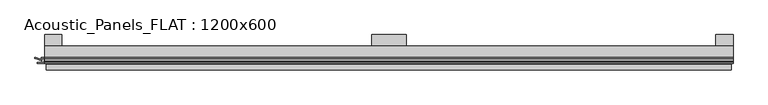
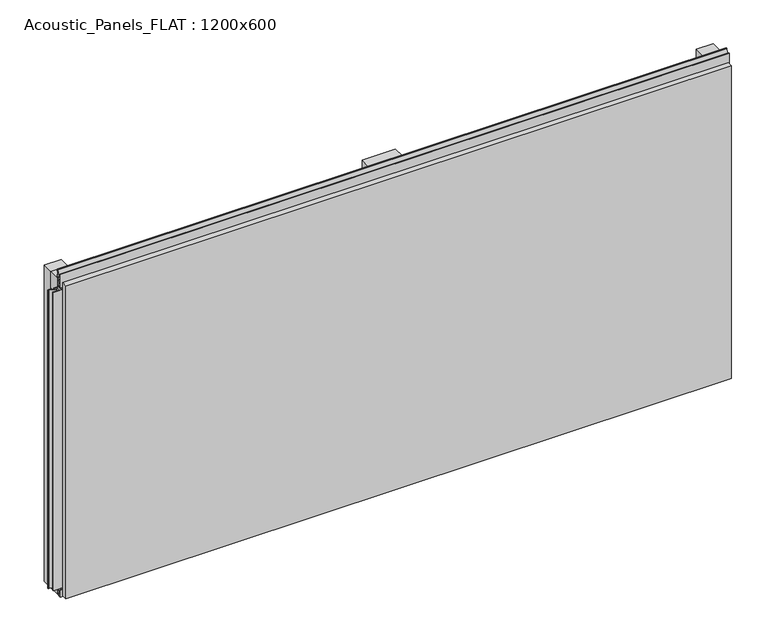
"""IFC4 building model written with IfcOpenShell, lengths in millimetres: plate geometry, Acoustic_Panels_FLAT : 1200x600."""

from ifc_helpers import new_model, si_unit, frame, origin, origin_with_axes, place, context, project, spatial, polyline, outline, extrude, faceted_brep, source, transform, mapped, element, save


def acoustic_panels_flat_1200x600_89772a6c(model_context):
    return source(origin(), model_context, "Body", "SolidModel", [
        extrude(outline(polyline([(-600.0, -40.0), (-600.0, -20.0), (600.0, -20.0), (600.0, -40.0), (-600.0, -40.0)])), frame((0.0, 0.0, 570.0), z_axis=(0.0, 0.0, 1.0), x_axis=(1.0, 0.0, 0.0)), (0.0, 0.0, 1.0), 30.0),
        extrude(outline(polyline([(-600.0, -40.0), (-600.0, -20.0), (600.0, -20.0), (600.0, -40.0), (-600.0, -40.0)])), origin_with_axes(), (0.0, 0.0, 1.0), 30.0),
        extrude(outline(polyline([(570.0, 0.0), (600.0, 0.0), (600.0, -20.0), (570.0, -20.0), (570.0, 0.0)])), origin_with_axes(), (0.0, 0.0, 1.0), 600.0),
        extrude(outline(polyline([(30.0, 0.0), (30.0, -20.0), (-30.0, -20.0), (-30.0, 0.0), (30.0, 0.0)])), origin_with_axes(), (0.0, 0.0, 1.0), 600.0),
        extrude(outline(polyline([(-570.0, 0.0), (-570.0, -20.0), (-600.0, -20.0), (-600.0, 0.0), (-570.0, 0.0)])), origin_with_axes(), (0.0, 0.0, 1.0), 600.0),
        extrude(outline(polyline([(-40.0, 6.299084), (-40.0, 0.0), (-50.1, 0.0), (-50.1, 13.4156807), (-48.7, 13.4156807), (-48.7, 1.4156807), (-41.4, 1.4156807), (-41.4, 4.899084), (-45.5140545, 4.899084), (-41.4553267, 15.5703394), (-41.4553267, 22.991548), (-40.0553267, 22.991548), (-40.0553267, 15.3558599), (-43.5, 6.299084), (-40.0, 6.299084)])), frame((-600.0, 0.0, 0.0), z_axis=(1.0, 0.0, 0.0), x_axis=(0.0, 1.0, 0.0)), (0.0, 0.0, 1.0), 1200.0),
        extrude(outline(polyline([(-600.899084, -48.7), (-600.899084, -41.4), (-604.899084, -41.4), (-604.899084, -45.5140545), (-615.5703394, -41.4553267), (-616.9558599, -41.4553267), (-616.9558599, -40.0553267), (-615.3558599, -40.0553267), (-606.299084, -43.5), (-606.299084, -40.0), (-593.700916, -40.0), (-593.700916, -43.5), (-584.6441401, -40.0553267), (-583.0441401, -40.0553267), (-583.0441401, -41.4553267), (-584.4296606, -41.4553267), (-595.100916, -45.5140545), (-595.100916, -41.4), (-599.100916, -41.4), (-599.100916, -48.7), (-587.100916, -48.7), (-587.100916, -50.1), (-612.899084, -50.1), (-612.899084, -48.7), (-600.899084, -48.7)])), frame((0.0, 0.0, 16.9558599), z_axis=(0.0, 0.0, 1.0), x_axis=(1.0, 0.0, 0.0)), (0.0, 0.0, 1.0), 566.0882802),
        extrude(outline(polyline([(-48.7, 600.899084), (-41.4, 600.899084), (-41.4, 604.899084), (-45.5140545, 604.899084), (-41.4553267, 615.5703394), (-41.4553267, 616.9558599), (-40.0553267, 616.9558599), (-40.0553267, 615.3558599), (-43.5, 606.299084), (-40.0, 606.299084), (-40.0, 593.700916), (-43.5, 593.700916), (-40.0553267, 584.6441401), (-40.0553267, 583.0441401), (-41.4553267, 583.0441401), (-41.4553267, 584.4296606), (-45.5140545, 595.100916), (-41.4, 595.100916), (-41.4, 599.100916), (-48.7, 599.100916), (-48.7, 587.100916), (-50.1, 587.100916), (-50.1, 612.899084), (-48.7, 612.899084), (-48.7, 600.899084)])), frame((-600.0, 0.0, 0.0), z_axis=(1.0, 0.0, 0.0), x_axis=(0.0, 1.0, 0.0)), (0.0, 0.0, 1.0), 1200.0),
        faceted_brep([(597.0, -45.9, 597.0), (-597.0, -45.9, 597.0), (-597.0, -48.7, 597.0), (597.0, -48.7, 597.0), (-597.0, -61.9, 597.0), (597.0, -61.9, 597.0), (597.0, -51.9, 597.0), (-597.0, -51.9, 597.0), (-597.0, -45.9, 3.0), (597.0, -45.9, 3.0), (597.0, -48.7, 3.0), (-597.0, -48.7, 3.0), (597.0, -61.9, 3.0), (-597.0, -61.9, 3.0), (-597.0, -51.9, 3.0), (597.0, -51.9, 3.0), (585.0, -51.9, 585.0), (585.0, -51.9, 15.0), (585.0, -48.7, 15.0), (585.0, -48.7, 585.0), (-585.0, -51.9, 15.0), (-585.0, -48.7, 15.0), (-585.0, -51.9, 585.0), (-585.0, -48.7, 585.0)], [[[0, 1, 2, 3]], [[4, 5, 6, 7]], [[8, 9, 10, 11]], [[12, 13, 14, 15]], [[1, 0, 9, 8]], [[1, 8, 11, 2]], [[13, 4, 7, 14]], [[5, 4, 13, 12]], [[9, 0, 3, 10]], [[5, 12, 15, 6]], [[16, 17, 18, 19]], [[18, 17, 20, 21]], [[21, 20, 22, 23]], [[16, 19, 23, 22]], [[7, 6, 15, 14], [17, 16, 22, 20]], [[3, 2, 11, 10], [19, 18, 21, 23]]]),
    ])


if __name__ == "__main__":
    model = new_model("IFC4")
    model_context = context("Model", 3, world=origin())
    ifc_project = project(units=[si_unit("LENGTHUNIT", "METRE", prefix="MILLI")], contexts=[model_context])
    site = spatial("IfcSite", under=ifc_project)
    building = spatial("IfcBuilding", under=site)
    placement = place(None, origin())
    acoustic_panels_flat_1200x600_shape = acoustic_panels_flat_1200x600_89772a6c(model_context)
    element("IfcPlate", 1, ObjectType="Acoustic_Panels_FLAT : 1200x600", at=placement, inside=building, context=model_context, shape_type="MappedRepresentation", body=[
        mapped(acoustic_panels_flat_1200x600_shape, transform((0.0, 0.0, 0.0), x_axis=(1.0, 0.0, 0.0), y_axis=(0.0, 1.0, 0.0), z_axis=(0.0, 0.0, 1.0))),
    ])
    save(model, "model.ifc")
